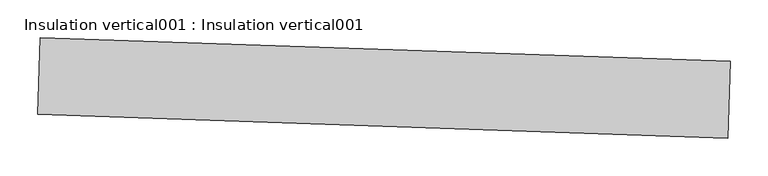
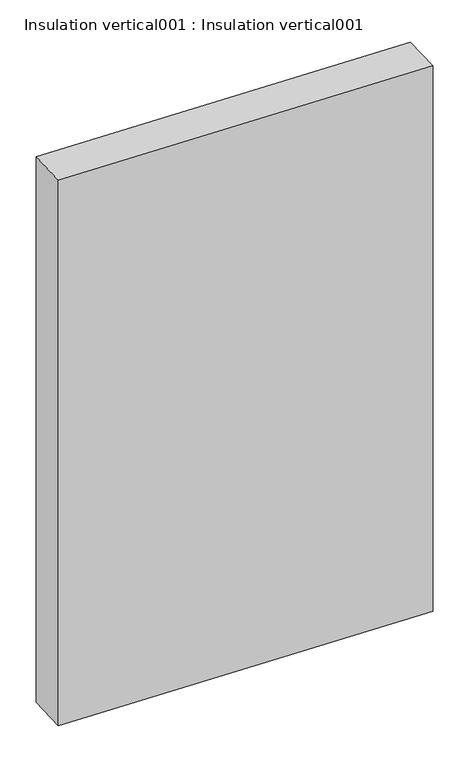
"""IFC4 building model written with IfcOpenShell, lengths in millimetres: proxy geometry, Insulation vertical001 : Insulation vertical001."""

from ifc_helpers import new_model, si_unit, frame, origin, place, context, project, spatial, polyline, outline, extrude, source, transform, mapped, element, save


def insulation_vertical001_insulation_vertical001_45739378(model_context):
    return source(origin(), model_context, "Body", "SweptSolid", [
        extrude(outline(polyline([(34355.2680219, -15459.5521037), (34351.7931208, -15561.0926624), (33437.9280924, -15529.8185531), (33441.4029935, -15428.2779943), (34355.2680219, -15459.5521037)])), frame((0.0, 0.0, 3076.575), z_axis=(0.0, 0.0, 1.0), x_axis=(1.0, 0.0, 0.0)), (0.0, 0.0, 1.0), 1434.625),
    ])


if __name__ == "__main__":
    model = new_model("IFC4")
    model_context = context("Model", 3, world=origin())
    ifc_project = project(units=[si_unit("LENGTHUNIT", "METRE", prefix="MILLI")], contexts=[model_context])
    site = spatial("IfcSite", under=ifc_project)
    building = spatial("IfcBuilding", under=site)
    placement = place(None, origin())
    insulation_vertical001_insulation_vertical001_shape = insulation_vertical001_insulation_vertical001_45739378(model_context)
    element("IfcBuildingElementProxy", 1, Name="Insulation vertical001 : Insulation vertical001", ObjectType="Insulation vertical001 : Insulation vertical001", at=placement, inside=building, context=model_context, shape_type="MappedRepresentation", body=[
        mapped(insulation_vertical001_insulation_vertical001_shape, transform((0.0, 0.0, 0.0), x_axis=(1.0, 0.0, 0.0), y_axis=(0.0, 1.0, 0.0), z_axis=(0.0, 0.0, 1.0))),
    ])
    save(model, "model.ifc")
